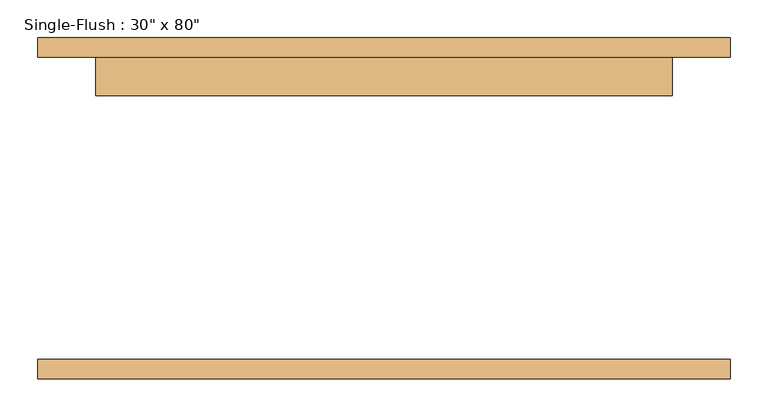
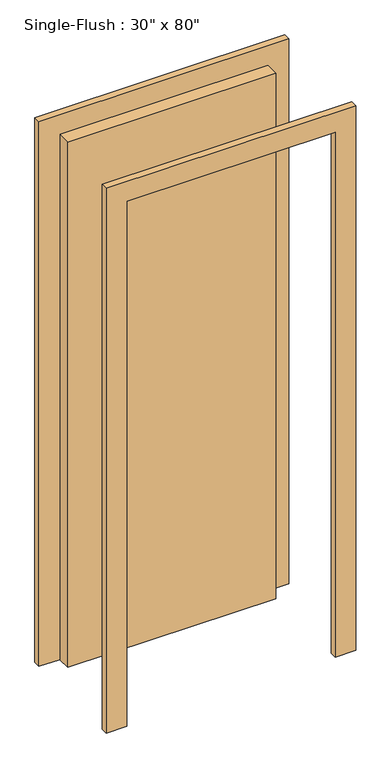
"""IFC4 building model written with IfcOpenShell, lengths in millimetres: door geometry."""

from ifc_helpers import new_model, si_unit, frame, origin, origin_with_axes, place, context, project, spatial, polyline, outline, extrude, source, transform, mapped, element, save


def door_42adf93a(model_context):
    return source(origin(), model_context, "Body", "SweptSolid", [
        extrude(outline(polyline([(2108.2, -457.2), (0.0, -457.2), (0.0, -381.0), (2032.0, -381.0), (2032.0, 381.0), (0.0, 381.0), (0.0, 457.2), (2108.2, 457.2), (2108.2, -457.2)])), frame((0.0, 200.0, 0.0), z_axis=(0.0, 1.0, 0.0), x_axis=(0.0, 0.0, 1.0)), (0.0, 0.0, 1.0), 25.4),
        extrude(outline(polyline([(2108.2, 457.2), (2108.2, -457.2), (0.0, -457.2), (0.0, -381.0), (2032.0, -381.0), (2032.0, 381.0), (0.0, 381.0), (0.0, 457.2), (2108.2, 457.2)])), frame((0.0, -225.4, 0.0), z_axis=(0.0, 1.0, 0.0), x_axis=(0.0, 0.0, 1.0)), (0.0, 0.0, 1.0), 25.4),
        extrude(outline(polyline([(381.0, 149.2), (-381.0, 149.2), (-381.0, 200.0), (381.0, 200.0), (381.0, 149.2)])), origin_with_axes(), (0.0, 0.0, 1.0), 2032.0),
    ])


if __name__ == "__main__":
    model = new_model("IFC4")
    model_context = context("Model", 3, world=origin())
    ifc_project = project(units=[si_unit("LENGTHUNIT", "METRE", prefix="MILLI")], contexts=[model_context])
    site = spatial("IfcSite", under=ifc_project)
    building = spatial("IfcBuilding", under=site)
    placement = place(None, origin())
    door_shape = door_42adf93a(model_context)
    element("IfcDoor", 1, ObjectType="Single-Flush : 30\" x 80\"", at=placement, inside=building, context=model_context, shape_type="MappedRepresentation", body=[
        mapped(door_shape, transform((0.0, 0.0, 0.0), x_axis=(1.0, 0.0, 0.0), y_axis=(0.0, 1.0, 0.0), z_axis=(0.0, 0.0, 1.0))),
    ])
    save(model, "model.ifc")
